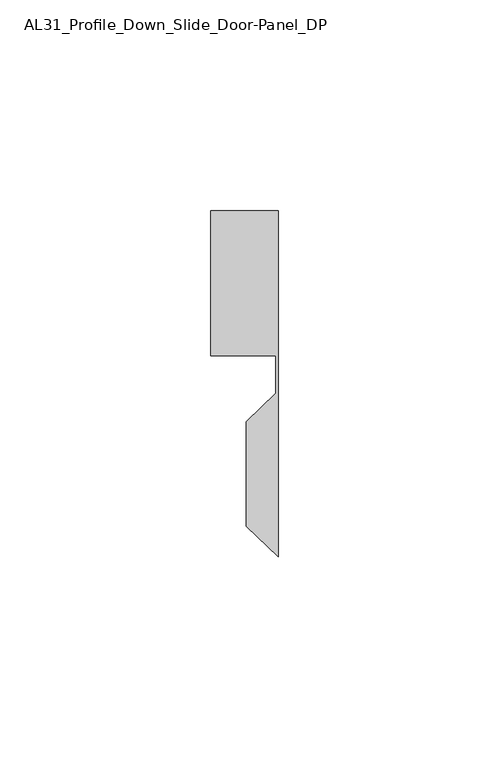
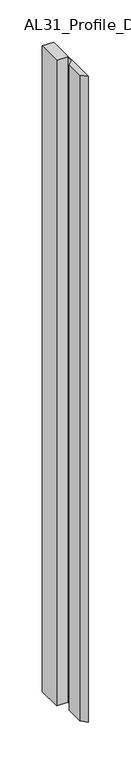
"""IFC4 building model written with IfcOpenShell, lengths in millimetres: member geometry, AL31_Profile_Down_Slide_Door-Panel_DP."""

from ifc_helpers import new_model, si_unit, frame, origin, place, context, project, spatial, polyline, outline, extrude, source, transform, mapped, element, save


def al31_profile_down_slide_door_panel_dp_e13c6d0b(model_context):
    return source(origin(), model_context, "Body", "SweptSolid", [
        extrude(outline(polyline([(0.0, 37.107), (0.0, -45.1094902), (-7.6107048, -37.8269611), (-7.6107048, -13.0546075), (-0.5072866, -6.2574907), (-0.5072866, 2.607), (-16.0427074, 2.607), (-16.0427074, 37.107), (0.0, 37.107)])), frame((0.0, 0.0, -936.0189167), z_axis=(0.0, 0.0, 1.0), x_axis=(1.0, 0.0, 0.0)), (0.0, 0.0, 1.0), 936.0189167),
    ])


if __name__ == "__main__":
    model = new_model("IFC4")
    model_context = context("Model", 3, world=origin())
    ifc_project = project(units=[si_unit("LENGTHUNIT", "METRE", prefix="MILLI")], contexts=[model_context])
    site = spatial("IfcSite", under=ifc_project)
    building = spatial("IfcBuilding", under=site)
    placement = place(None, origin())
    al31_profile_down_slide_door_panel_dp_shape = al31_profile_down_slide_door_panel_dp_e13c6d0b(model_context)
    element("IfcMember", 1, ObjectType="AL31_Profile_Down_Slide_Door-Panel_DP", at=placement, inside=building, context=model_context, shape_type="MappedRepresentation", body=[
        mapped(al31_profile_down_slide_door_panel_dp_shape, transform((0.0, 0.0, 0.0), x_axis=(1.0, 0.0, 0.0), y_axis=(0.0, 1.0, 0.0), z_axis=(0.0, 0.0, 1.0))),
    ])
    save(model, "model.ifc")
